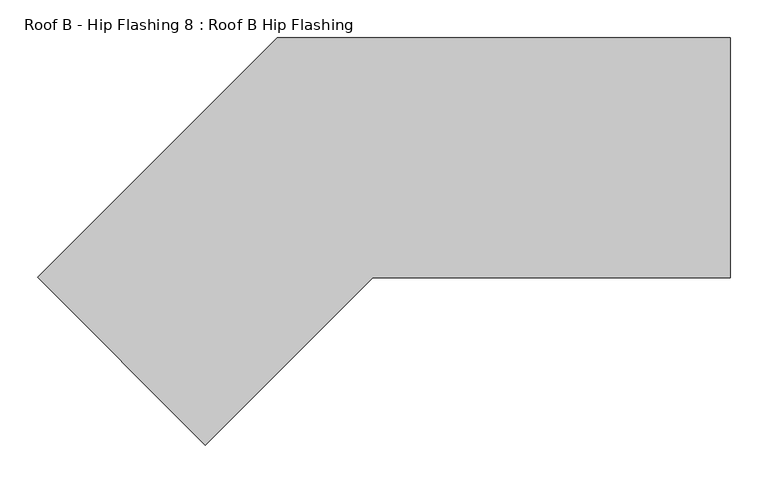
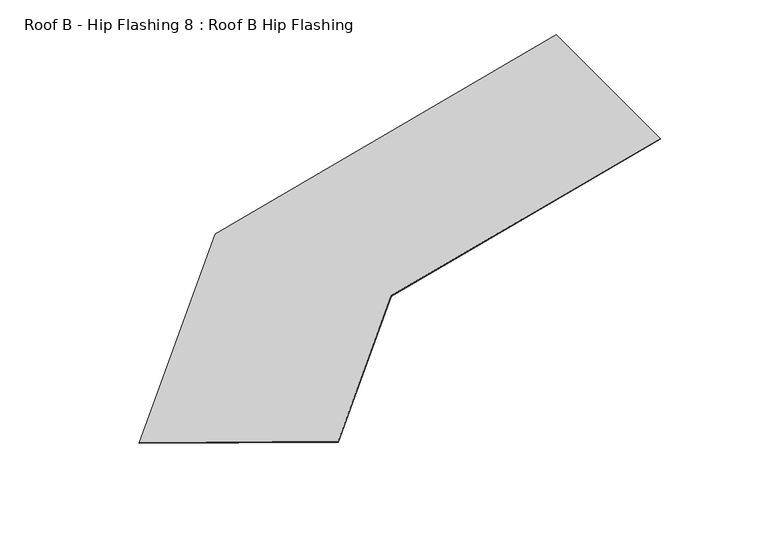
"""IFC4 building model written with IfcOpenShell, lengths in millimetres: proxy geometry, Roof B - Hip Flashing 8 : Roof B Hip Flashing."""

from ifc_helpers import new_model, si_unit, origin, place, context, project, spatial, faceted_brep, source, transform, mapped, element, save


def roof_b_hip_flashing_8_roof_b_hip_flashing_65bc5149(model_context):
    return source(origin(), model_context, "Body", "Brep", [
        faceted_brep([(11345.1974545, 8992.2205379, 3027.1449194), (11345.1974545, 8992.2205379, 3028.8013612), (11664.0726663, 9311.0957498, 3114.2437167), (11664.0726663, 9311.0957498, 3112.5872749), (11790.8247195, 8991.5958862, 3148.206827), (12266.4883036, 8991.5958862, 3275.6605003), (12266.4883036, 9311.0957498, 3275.6605003), (11568.3234129, 8769.0945795, 3088.5877816), (12266.4883036, 8991.5958862, 3274.0040584), (11790.8247195, 8991.5958862, 3146.5503852), (11568.3234129, 8769.0945795, 3086.9313397), (12266.4883036, 9311.0957498, 3274.0040584)], [[[0, 1, 2, 3]], [[4, 5, 6, 2, 1, 7]], [[8, 9, 10, 0, 3, 11]], [[4, 9, 8, 5]], [[9, 4, 7, 10]], [[5, 8, 11, 6]], [[1, 0, 10, 7]], [[3, 2, 6, 11]]]),
    ])


if __name__ == "__main__":
    model = new_model("IFC4")
    model_context = context("Model", 3, world=origin())
    ifc_project = project(units=[si_unit("LENGTHUNIT", "METRE", prefix="MILLI")], contexts=[model_context])
    site = spatial("IfcSite", under=ifc_project)
    building = spatial("IfcBuilding", under=site)
    placement = place(None, origin())
    roof_b_hip_flashing_8_roof_b_hip_flashing_shape = roof_b_hip_flashing_8_roof_b_hip_flashing_65bc5149(model_context)
    element("IfcBuildingElementProxy", 1, Name="Roof B - Hip Flashing 8 : Roof B Hip Flashing", ObjectType="Roof B - Hip Flashing 8 : Roof B Hip Flashing", at=placement, inside=building, context=model_context, shape_type="MappedRepresentation", body=[
        mapped(roof_b_hip_flashing_8_roof_b_hip_flashing_shape, transform((0.0, 0.0, 0.0), x_axis=(1.0, 0.0, 0.0), y_axis=(0.0, 1.0, 0.0), z_axis=(0.0, 0.0, 1.0))),
    ])
    save(model, "model.ifc")
